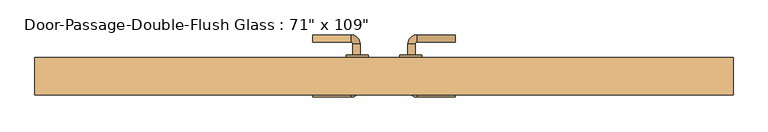
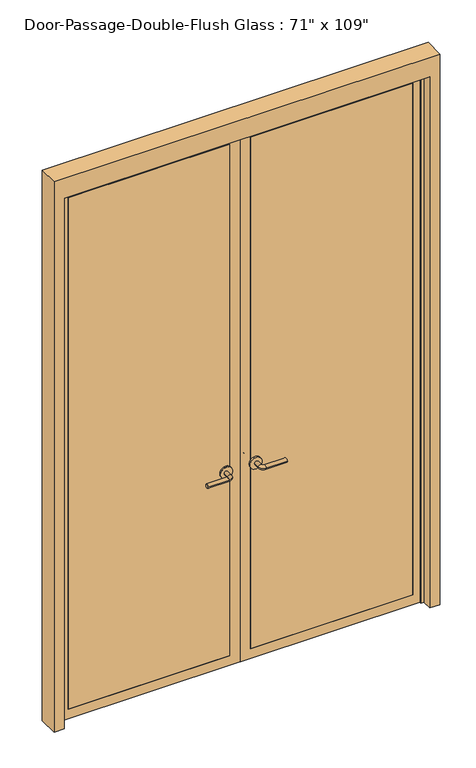
"""IFC4 building model written with IfcOpenShell, lengths in millimetres: door geometry."""

import ifcopenshell
import ifcopenshell.guid

model = None  # the IFC model being written
_history = None  # IfcOwnerHistory: only IFC2X3 demands one
_inside = {}  # id of a spatial element -> (the spatial element, [elements in it])
_under = {}  # id of a project, library or spatial element -> (it, [spatial elements below it])
_declared = {}  # id of a project -> (the project, [libraries it declares])
_typed = {}  # id of a type object -> (the type object, [elements of that type])
_made_of = {}  # id of a material, layer set ... -> (it, [elements and type objects made of it])


def new_model(schema):
    """Start an empty IFC model of exactly this schema.

    Asked for "IFC4X3", IfcOpenShell would pick the latest addendum, in which some entities
    have other attributes; the version numbers below select the first issue.
    IFC2X3 requires an IfcOwnerHistory on every rooted entity: one is made here for all.
    """
    global model, _history
    if schema == "IFC4X3":
        model = ifcopenshell.file(schema_version=(4, 3, 0, 0))
    else:
        model = ifcopenshell.file(schema=schema)
    _inside.clear()
    _under.clear()
    _declared.clear()
    _typed.clear()
    _made_of.clear()
    _history = None
    if model.schema == "IFC2X3":
        org = make("IfcOrganization", Name="unknown")
        user = make(
            "IfcPersonAndOrganization",
            ThePerson=make("IfcPerson", FamilyName="unknown"),
            TheOrganization=org,
        )
        app = make(
            "IfcApplication",
            ApplicationDeveloper=org,
            Version="unknown",
            ApplicationFullName="unknown",
            ApplicationIdentifier="unknown",
        )
        _history = make(
            "IfcOwnerHistory",
            OwningUser=user,
            OwningApplication=app,
            ChangeAction="ADDED",
            CreationDate=0,
        )
    return model


def make(cls, **values):
    """One entity of the class cls with the attributes given. An attribute that is None is left unset."""
    return model.create_entity(
        cls, **{name: value for name, value in values.items() if value is not None}
    )


def rooted(cls, **values):
    """An entity with a GlobalId (a new one), such as an element, a storey or a relation."""
    return make(cls, GlobalId=ifcopenshell.guid.new(), OwnerHistory=_history, **values)


def si_unit(unit_type, name, prefix=None):
    """IfcSIUnit, for example si_unit("LENGTHUNIT", "METRE", prefix="MILLI")."""
    return make("IfcSIUnit", UnitType=unit_type, Prefix=prefix, Name=name)


def assignment(units):
    """IfcUnitAssignment: the units of a project."""
    return None if units is None else make("IfcUnitAssignment", Units=units)


def point(xyz):
    """IfcCartesianPoint."""
    return None if xyz is None else make("IfcCartesianPoint", Coordinates=xyz)


def direction(xyz):
    """IfcDirection."""
    return None if xyz is None else make("IfcDirection", DirectionRatios=xyz)


def frame(location, z_axis=None, x_axis=None):
    """IfcAxis2Placement3D, a coordinate frame: its origin and axes. An axis left out is left unset."""
    return make(
        "IfcAxis2Placement3D",
        Location=point(location),
        Axis=direction(z_axis),
        RefDirection=direction(x_axis),
    )


def frame_2d(location, x_axis=None):
    """IfcAxis2Placement2D, a coordinate frame in the plane: its origin and x axis."""
    return make(
        "IfcAxis2Placement2D", Location=point(location), RefDirection=direction(x_axis)
    )


def origin():
    """The frame at (0, 0, 0) with its axes left unset."""
    return frame((0.0, 0.0, 0.0))


def place(relative_to, where):
    """IfcLocalPlacement: puts the frame where relative to a parent placement (None: the world)."""
    return make(
        "IfcLocalPlacement", PlacementRelTo=relative_to, RelativePlacement=where
    )


def context(
    kind, dimensions, precision=None, world=None, true_north=None, identifier=None
):
    """IfcGeometricRepresentationContext, for example the 3D "Model" context."""
    return make(
        "IfcGeometricRepresentationContext",
        ContextIdentifier=identifier,
        ContextType=kind,
        CoordinateSpaceDimension=dimensions,
        Precision=precision,
        WorldCoordinateSystem=world,
        TrueNorth=true_north,
    )


def project(units=None, contexts=None):
    """IfcProject with its units and contexts."""
    return rooted(
        "IfcProject",
        Name="project",
        RepresentationContexts=contexts,
        UnitsInContext=assignment(units),
    )


def spatial(cls, under=None, at=None, **own):
    """A site, building, storey or space (cls), placed at a placement, below another one or the project."""
    s = rooted(cls, ObjectPlacement=at, **own)
    if under is not None:
        _under.setdefault(under.id(), (under, []))[1].append(s)
    return s


def polyline(points):
    """IfcPolyline through the points."""
    return make("IfcPolyline", Points=[point(p) for p in points])


def circle_curve(where, radius):
    """IfcCircle in the frame where."""
    return make("IfcCircle", Position=where, Radius=radius)


def ellipse_curve(where, semi_axis1, semi_axis2):
    """IfcEllipse in the frame where."""
    return make(
        "IfcEllipse", Position=where, SemiAxis1=semi_axis1, SemiAxis2=semi_axis2
    )


def trimmed(basis, trim1, trim2, sense, master):
    """IfcTrimmedCurve: the piece of a basis curve between two trims."""
    return make(
        "IfcTrimmedCurve",
        BasisCurve=basis,
        Trim1=trim1,
        Trim2=trim2,
        SenseAgreement=sense,
        MasterRepresentation=master,
    )


def segment(curve, same_sense, transition):
    """IfcCompositeCurveSegment."""
    return make(
        "IfcCompositeCurveSegment",
        Transition=transition,
        SameSense=same_sense,
        ParentCurve=curve,
    )


def composite_curve(segments, self_intersect=None):
    """IfcCompositeCurve: segments joined end to end."""
    return make("IfcCompositeCurve", Segments=segments, SelfIntersect=self_intersect)


def outline(outer, holes=None, kind="AREA"):
    """IfcArbitraryClosedProfileDef: a profile drawn as a closed curve; with holes, ...WithVoids."""
    if holes is None:
        return make("IfcArbitraryClosedProfileDef", ProfileType=kind, OuterCurve=outer)
    return make(
        "IfcArbitraryProfileDefWithVoids",
        ProfileType=kind,
        OuterCurve=outer,
        InnerCurves=holes,
    )


def extrude(swept, where, along, depth):
    """IfcExtrudedAreaSolid: the profile swept, set in the frame where, extruded along a direction by depth."""
    return make(
        "IfcExtrudedAreaSolid",
        SweptArea=swept,
        Position=where,
        ExtrudedDirection=direction(along),
        Depth=depth,
    )


def faces_of(points, faces, orient=None, outer=None):
    """IfcFace entities. A face is a list of loops; a loop is a list of indices into points, from 0.

    orient and outer hold one flag for each loop. By default every Orientation is true, the
    first loop of a face is its IfcFaceOuterBound and the others are IfcFaceBound.
    """
    made = []
    for i, loops in enumerate(faces):
        bounds = []
        for j, loop in enumerate(loops):
            is_outer = j == 0 if outer is None else outer[i][j]
            bounds.append(
                make(
                    "IfcFaceOuterBound" if is_outer else "IfcFaceBound",
                    Bound=make("IfcPolyLoop", Polygon=[points[k] for k in loop]),
                    Orientation=True if orient is None else orient[i][j],
                )
            )
        made.append(make("IfcFace", Bounds=bounds))
    return made


def faceted_brep(points, faces, orient=None, outer=None, voids=None):
    """IfcFacetedBrep: a solid bounded by flat faces; with voids (closed shells), ...WithVoids."""
    shared = [point(p) for p in points]
    hull = make("IfcClosedShell", CfsFaces=faces_of(shared, faces, orient, outer))
    if voids is None:
        return make("IfcFacetedBrep", Outer=hull)
    return make(
        "IfcFacetedBrepWithVoids",
        Outer=hull,
        Voids=[
            make(cls, CfsFaces=faces_of(shared, fs, o, b)) for cls, fs, o, b in voids
        ],
    )


def shape(context_of_items, identifier, shape_type, items):
    """IfcShapeRepresentation: the items that make up one representation, for example the "Body"."""
    return make(
        "IfcShapeRepresentation",
        ContextOfItems=context_of_items,
        RepresentationIdentifier=identifier,
        RepresentationType=shape_type,
        Items=items,
    )


def source(mapping_origin, context_of_items, identifier, shape_type, items):
    """IfcRepresentationMap: a shape defined once, which mapped items show again and again."""
    return make(
        "IfcRepresentationMap",
        MappingOrigin=mapping_origin,
        MappedRepresentation=shape(context_of_items, identifier, shape_type, items),
    )


def transform(
    local_origin,
    x_axis=None,
    y_axis=None,
    z_axis=None,
    scale=None,
    scale2=None,
    scale3=None,
    uniform=True,
):
    """IfcCartesianTransformationOperator3D, or its non-uniform kind. x_axis, y_axis, z_axis: its Axis1, 2, 3."""
    if uniform:
        return make(
            "IfcCartesianTransformationOperator3D",
            Axis1=direction(x_axis),
            Axis2=direction(y_axis),
            LocalOrigin=point(local_origin),
            Scale=scale,
            Axis3=direction(z_axis),
        )
    return make(
        "IfcCartesianTransformationOperator3DnonUniform",
        Axis1=direction(x_axis),
        Axis2=direction(y_axis),
        LocalOrigin=point(local_origin),
        Scale=scale,
        Axis3=direction(z_axis),
        Scale2=scale2,
        Scale3=scale3,
    )


def mapped(mapping_source, mapping_target):
    """IfcMappedItem: shows the shape of a source again, moved by a transform."""
    return make(
        "IfcMappedItem", MappingSource=mapping_source, MappingTarget=mapping_target
    )


def made_of(thing, what):
    """Note that an element or type object is made of a material, layer set ...; save() writes the relation."""
    if what is not None:
        _made_of.setdefault(what.id(), (what, []))[1].append(thing)
    return thing


def element(
    cls,
    number,
    at=None,
    inside=None,
    cuts=None,
    type_object=None,
    material=None,
    context=None,
    identifier="Body",
    shape_type=None,
    held_by="IfcProductDefinitionShape",
    body=None,
    shapes=None,
    **own,
):
    """One element of the class cls, such as IfcWall. Its Tag is "e" and its number.

    at: its placement. inside: the storey or other place that contains it. cuts: it is an
    opening in that element (IfcRelVoidsElement). A single representation is given by context,
    identifier, shape_type and body (its items); several are given by shapes. held_by: the class
    of the entity that holds the representations. save() writes the other relations.
    """
    e = rooted(cls, Tag="e%d" % number, ObjectPlacement=at, **own)
    if body is not None:
        shapes = [shape(context, identifier, shape_type, body)]
    if shapes is not None:
        e.Representation = make(held_by, Representations=shapes)
    if inside is not None:
        _inside.setdefault(inside.id(), (inside, []))[1].append(e)
    if cuts is not None:
        rooted(
            "IfcRelVoidsElement", RelatingBuildingElement=cuts, RelatedOpeningElement=e
        )
    if type_object is not None:
        _typed.setdefault(type_object.id(), (type_object, []))[1].append(e)
    return made_of(e, material)


def aggregate(whole, parts):
    """IfcRelAggregates: a whole, such as a stair, and the parts it consists of."""
    return rooted("IfcRelAggregates", RelatingObject=whole, RelatedObjects=parts)


def save(model, path):
    """Write the relations noted so far, then the file.

    IfcRelAggregates (storeys below a building ...), IfcRelContainedInSpatialStructure (elements
    in a storey), IfcRelDefinesByType, IfcRelAssociatesMaterial and IfcRelDeclares: one each for
    every whole, place, type object, material and project.
    """
    for whole, parts in _under.values():
        aggregate(whole, parts)
    for where, things in _inside.values():
        rooted(
            "IfcRelContainedInSpatialStructure",
            RelatedElements=things,
            RelatingStructure=where,
        )
    for kind, things in _typed.values():
        rooted("IfcRelDefinesByType", RelatedObjects=things, RelatingType=kind)
    for what, things in _made_of.values():
        rooted("IfcRelAssociatesMaterial", RelatedObjects=things, RelatingMaterial=what)
    for by, libraries in _declared.values():
        rooted("IfcRelDeclares", RelatingContext=by, RelatedDefinitions=libraries)
    model.write(path)


def plane_surface(at):
    """IfcPlane: the flat surface through the origin of the frame at, square to its z axis."""
    return make("IfcPlane", Position=at)


def cylinder_surface(at, radius):
    """IfcCylindricalSurface: all points at the distance radius from the z axis of the frame at."""
    return make("IfcCylindricalSurface", Position=at, Radius=radius)


def revolved_surface(curve, axis_point, axis_direction):
    """IfcSurfaceOfRevolution: the curve turned about the line through axis_point along axis_direction."""
    return make(
        "IfcSurfaceOfRevolution",
        SweptCurve=make("IfcArbitraryOpenProfileDef", ProfileType="CURVE", Curve=curve),
        AxisPosition=make("IfcAxis1Placement", Location=point(axis_point), Axis=direction(axis_direction)),
    )


def advanced_brep(points, edges, surfaces, faces):
    """IfcAdvancedBrep: a solid bounded by faces that lie on surfaces and meet in shared edges.

    An edge is (start, end): straight between two places in points (the first is 0);
    or (start, end, curve); or (start, end, curve, False) where it runs against its curve.
    A face is (place in surfaces, loops), or (place, loops, False) where it looks against
    its surface's normal. A loop lists edges by number (the first is 1), with a minus sign
    where the edge is run from its end to its start. The first loop is the outer one.
    """
    corners = [point(p) for p in points]
    vertices = [make("IfcVertexPoint", VertexGeometry=c) for c in corners]
    made = []
    for start, end, *more in edges:
        made.append(
            make(
                "IfcEdgeCurve",
                EdgeStart=vertices[start],
                EdgeEnd=vertices[end],
                EdgeGeometry=more[0] if more else make("IfcPolyline", Points=[corners[start], corners[end]]),
                SameSense=more[1] if len(more) > 1 else True,
            )
        )
    hull = []
    for where, loops, *sense in faces:
        bounds = []
        for j, loop in enumerate(loops):
            ring = [make("IfcOrientedEdge", EdgeElement=made[abs(k) - 1], Orientation=k > 0) for k in loop]
            bounds.append(
                make(
                    "IfcFaceOuterBound" if j == 0 else "IfcFaceBound",
                    Bound=make("IfcEdgeLoop", EdgeList=ring),
                    Orientation=True,
                )
            )
        hull.append(make("IfcAdvancedFace", Bounds=bounds, FaceSurface=surfaces[where], SameSense=sense[0] if sense else True))
    return make("IfcAdvancedBrep", Outer=make("IfcClosedShell", CfsFaces=hull))


def door_7ee82786(model_context):
    return source(origin(), model_context, "Body", "SolidModel", [
        advanced_brep(
        [(-65.009375, -154.05, 1016.0), (-85.009375, -154.05, 1016.0), (-65.009375, -184.05, 1016.0), (-85.009375, -184.05, 1016.0), (-90.009375, -189.05, 1016.0), (-90.009375, -209.05, 1016.0), (-195.009375, -209.05, 1016.0), (-195.009375, -189.05, 1016.0)],
        [
            (0, 1, circle_curve(frame((-75.009375, -154.05, 1016.0), z_axis=(0.0, 1.0, 0.0), x_axis=(-1.0, 0.0, 0.0)), 10.0)),
            (1, 0, circle_curve(frame((-75.009375, -154.05, 1016.0), z_axis=(0.0, 1.0, 0.0), x_axis=(-1.0, 0.0, 0.0)), 10.0)),
            (0, 2),
            (2, 3, circle_curve(frame((-75.009375, -184.05, 1016.0), z_axis=(0.0, 1.0, 0.0), x_axis=(-1.0, 0.0, 0.0)), 10.0)),
            (3, 1),
            (3, 2, circle_curve(frame((-75.009375, -184.05, 1016.0), z_axis=(0.0, 1.0, 0.0), x_axis=(-1.0, 0.0, 0.0)), 10.0)),
            (4, 3, circle_curve(frame((-90.009375, -184.05, 1016.0), z_axis=(0.0, 0.0, 1.0), x_axis=(1.0, 0.0, 0.0)), 5.0)),
            (2, 5, circle_curve(frame((-90.009375, -184.05, 1016.0), z_axis=(0.0, 0.0, -1.0), x_axis=(1.0, 0.0, 0.0)), 25.0)),
            (5, 4, circle_curve(frame((-90.009375, -199.05, 1016.0), z_axis=(1.0, 0.0, 0.0), x_axis=(0.0, 1.0, 0.0)), 10.0)),
            (4, 5, circle_curve(frame((-90.009375, -199.05, 1016.0), z_axis=(1.0, 0.0, 0.0), x_axis=(0.0, 1.0, 0.0)), 10.0)),
            (6, 7, circle_curve(frame((-195.009375, -199.05, 1016.0), z_axis=(-1.0, 0.0, 0.0), x_axis=(0.0, 1.0, 0.0)), 10.0)),
            (7, 6, circle_curve(frame((-195.009375, -199.05, 1016.0), z_axis=(-1.0, 0.0, 0.0), x_axis=(0.0, 1.0, 0.0)), 10.0)),
            (5, 6),
            (7, 4),
        ],
        [
            plane_surface(frame((-75.009375, -154.05, 1016.0), z_axis=(0.0, 1.0, 0.0), x_axis=(0.0, 0.0, 1.0))),
            cylinder_surface(frame((-75.009375, -154.05, 1016.0), z_axis=(0.0, 1.0, 0.0), x_axis=(-1.0, 0.0, 0.0)), 10.0),
            revolved_surface(trimmed(ellipse_curve(frame((-75.009375, -184.05, 1016.0), z_axis=(0.0, 1.0, 0.0), x_axis=(-1.0, 0.0, 0.0)), 10.0, 10.0), [point((-65.009375, -184.05, 1016.0))], [point((-85.009375, -184.05, 1016.0))], True, "CARTESIAN"), (-90.009375, -184.05, 1016.0), (0.0, 0.0, -1.0)),
            revolved_surface(trimmed(ellipse_curve(frame((-75.009375, -184.05, 1016.0), z_axis=(0.0, 1.0, 0.0), x_axis=(-1.0, 0.0, 0.0)), 10.0, 10.0), [point((-85.009375, -184.05, 1016.0))], [point((-65.009375, -184.05, 1016.0))], True, "CARTESIAN"), (-90.009375, -184.05, 1016.0), (0.0, 0.0, -1.0)),
            plane_surface(frame((-195.009375, -199.05, 1016.0), z_axis=(-1.0, 0.0, 0.0), x_axis=(0.0, 0.0, 1.0))),
            cylinder_surface(frame((-90.009375, -199.05, 1016.0), z_axis=(1.0, 0.0, 0.0), x_axis=(0.0, 1.0, 0.0)), 10.0),
        ],
        [
            (0, [[1, 2]]),
            (1, [[-1, 3, 4, 5]]),
            (1, [[-2, -5, 6, -3]]),
            (2, [[7, -4, 8, 9]]),
            (3, [[-8, -6, -7, 10]]),
            (4, [[11, 12]]),
            (5, [[-9, 13, -12, 14]]),
            (5, [[-10, -14, -11, -13]]),
        ],
    ),
        extrude(outline(composite_curve([segment(trimmed(circle_curve(frame_2d((1016.0, -72.509375)), 30.0), [point((1016.0, -42.509375))], [point((1016.0, -102.509375))], False, "CARTESIAN"), True, "CONTINUOUS"), segment(trimmed(circle_curve(frame_2d((1016.0, -72.509375)), 30.0), [point((1016.0, -102.509375))], [point((1016.0, -42.509375))], False, "CARTESIAN"), True, "CONTINUOUS")], self_intersect=False)), frame((0.0, -154.05, 0.0), z_axis=(0.0, 1.0, 0.0), x_axis=(0.0, 0.0, 1.0)), (0.0, 0.0, 1.0), 8.0),
        advanced_brep(
        [(-65.009375, -93.6, 1016.0), (-85.009375, -93.6, 1016.0), (-85.009375, -63.6, 1016.0), (-65.009375, -63.6, 1016.0), (-90.009375, -58.6, 1016.0), (-90.009375, -38.6, 1016.0), (-195.009375, -38.6, 1016.0), (-195.009375, -58.6, 1016.0)],
        [
            (0, 1, circle_curve(frame((-75.009375, -93.6, 1016.0), z_axis=(0.0, -1.0, 0.0), x_axis=(-1.0, 0.0, 0.0)), 10.0)),
            (1, 0, circle_curve(frame((-75.009375, -93.6, 1016.0), z_axis=(0.0, -1.0, 0.0), x_axis=(-1.0, 0.0, 0.0)), 10.0)),
            (1, 2),
            (2, 3, circle_curve(frame((-75.009375, -63.6, 1016.0), z_axis=(0.0, -1.0, 0.0), x_axis=(-1.0, 0.0, 0.0)), 10.0)),
            (3, 0),
            (3, 2, circle_curve(frame((-75.009375, -63.6, 1016.0), z_axis=(0.0, -1.0, 0.0), x_axis=(-1.0, 0.0, 0.0)), 10.0)),
            (4, 5, circle_curve(frame((-90.009375, -48.6, 1016.0), z_axis=(1.0, 0.0, 0.0), x_axis=(0.0, -1.0, 0.0)), 10.0)),
            (5, 3, circle_curve(frame((-90.009375, -63.6, 1016.0), z_axis=(0.0, 0.0, -1.0), x_axis=(1.0, 0.0, 0.0)), 25.0)),
            (2, 4, circle_curve(frame((-90.009375, -63.6, 1016.0), z_axis=(0.0, 0.0, 1.0), x_axis=(1.0, 0.0, 0.0)), 5.0)),
            (5, 4, circle_curve(frame((-90.009375, -48.6, 1016.0), z_axis=(1.0, 0.0, 0.0), x_axis=(0.0, -1.0, 0.0)), 10.0)),
            (6, 7, circle_curve(frame((-195.009375, -48.6, 1016.0), z_axis=(-1.0, 0.0, 0.0), x_axis=(0.0, -1.0, 0.0)), 10.0)),
            (7, 6, circle_curve(frame((-195.009375, -48.6, 1016.0), z_axis=(-1.0, 0.0, 0.0), x_axis=(0.0, -1.0, 0.0)), 10.0)),
            (4, 7),
            (6, 5),
        ],
        [
            plane_surface(frame((-75.009375, -93.6, 1016.0), z_axis=(0.0, -1.0, 0.0), x_axis=(0.0, 0.0, 1.0))),
            cylinder_surface(frame((-75.009375, -93.6, 1016.0), z_axis=(0.0, -1.0, 0.0), x_axis=(-1.0, 0.0, 0.0)), 10.0),
            revolved_surface(trimmed(ellipse_curve(frame((-75.009375, -63.6, 1016.0), z_axis=(0.0, 1.0, 0.0), x_axis=(-1.0, 0.0, 0.0)), 10.0, 10.0), [point((-65.009375, -63.6, 1016.0))], [point((-85.009375, -63.6, 1016.0))], True, "CARTESIAN"), (-90.009375, -63.6, 1016.0), (0.0, 0.0, -1.0)),
            revolved_surface(trimmed(ellipse_curve(frame((-75.009375, -63.6, 1016.0), z_axis=(0.0, 1.0, 0.0), x_axis=(-1.0, 0.0, 0.0)), 10.0, 10.0), [point((-85.009375, -63.6, 1016.0))], [point((-65.009375, -63.6, 1016.0))], True, "CARTESIAN"), (-90.009375, -63.6, 1016.0), (0.0, 0.0, -1.0)),
            plane_surface(frame((-195.009375, -48.6, 1016.0), z_axis=(-1.0, 0.0, 0.0), x_axis=(0.0, 0.0, 1.0))),
            cylinder_surface(frame((-90.009375, -48.6, 1016.0), z_axis=(1.0, 0.0, 0.0), x_axis=(0.0, -1.0, 0.0)), 10.0),
        ],
        [
            (0, [[1, 2]]),
            (1, [[3, 4, 5, -2]]),
            (1, [[-5, 6, -3, -1]]),
            (2, [[7, 8, -4, 9]]),
            (3, [[10, -9, -6, -8]]),
            (4, [[11, 12]]),
            (5, [[13, -11, 14, -7]]),
            (5, [[-14, -12, -13, -10]]),
        ],
    ),
        extrude(outline(composite_curve([segment(trimmed(circle_curve(frame_2d((1016.0, -72.509375)), 30.0), [point((1016.0, -42.509375))], [point((1016.0, -102.509375))], False, "CARTESIAN"), True, "CONTINUOUS"), segment(trimmed(circle_curve(frame_2d((1016.0, -72.509375)), 30.0), [point((1016.0, -102.509375))], [point((1016.0, -42.509375))], False, "CARTESIAN"), True, "CONTINUOUS")], self_intersect=False)), frame((0.0, -101.6, 0.0), z_axis=(0.0, 1.0, 0.0), x_axis=(0.0, 0.0, 1.0)), (0.0, 0.0, 1.0), 8.0),
        advanced_brep(
        [(65.009375, -154.05, 1016.0), (85.009375, -154.05, 1016.0), (85.009375, -184.05, 1016.0), (65.009375, -184.05, 1016.0), (90.009375, -189.05, 1016.0), (90.009375, -209.05, 1016.0), (195.009375, -209.05, 1016.0), (195.009375, -189.05, 1016.0)],
        [
            (0, 1, circle_curve(frame((75.009375, -154.05, 1016.0), z_axis=(0.0, 1.0, 0.0), x_axis=(1.0, 0.0, 0.0)), 10.0)),
            (1, 0, circle_curve(frame((75.009375, -154.05, 1016.0), z_axis=(0.0, 1.0, 0.0), x_axis=(1.0, 0.0, 0.0)), 10.0)),
            (1, 2),
            (2, 3, circle_curve(frame((75.009375, -184.05, 1016.0), z_axis=(0.0, 1.0, 0.0), x_axis=(1.0, 0.0, 0.0)), 10.0)),
            (3, 0),
            (3, 2, circle_curve(frame((75.009375, -184.05, 1016.0), z_axis=(0.0, 1.0, 0.0), x_axis=(1.0, 0.0, 0.0)), 10.0)),
            (4, 5, circle_curve(frame((90.009375, -199.05, 1016.0), z_axis=(-1.0, 0.0, 0.0), x_axis=(0.0, 1.0, 0.0)), 10.0)),
            (5, 3, circle_curve(frame((90.009375, -184.05, 1016.0), z_axis=(0.0, 0.0, -1.0), x_axis=(-1.0, 0.0, 0.0)), 25.0)),
            (2, 4, circle_curve(frame((90.009375, -184.05, 1016.0), z_axis=(0.0, 0.0, 1.0), x_axis=(-1.0, 0.0, 0.0)), 5.0)),
            (5, 4, circle_curve(frame((90.009375, -199.05, 1016.0), z_axis=(-1.0, 0.0, 0.0), x_axis=(0.0, 1.0, 0.0)), 10.0)),
            (6, 7, circle_curve(frame((195.009375, -199.05, 1016.0), z_axis=(1.0, 0.0, 0.0), x_axis=(0.0, 1.0, 0.0)), 10.0)),
            (7, 6, circle_curve(frame((195.009375, -199.05, 1016.0), z_axis=(1.0, 0.0, 0.0), x_axis=(0.0, 1.0, 0.0)), 10.0)),
            (4, 7),
            (6, 5),
        ],
        [
            plane_surface(frame((75.009375, -154.05, 1016.0), z_axis=(0.0, 1.0, 0.0), x_axis=(0.0, 0.0, 1.0))),
            cylinder_surface(frame((75.009375, -154.05, 1016.0), z_axis=(0.0, 1.0, 0.0), x_axis=(1.0, 0.0, 0.0)), 10.0),
            revolved_surface(trimmed(ellipse_curve(frame((75.009375, -184.05, 1016.0), z_axis=(0.0, -1.0, 0.0), x_axis=(1.0, 0.0, 0.0)), 10.0, 10.0), [point((65.009375, -184.05, 1016.0))], [point((85.009375, -184.05, 1016.0))], True, "CARTESIAN"), (90.009375, -184.05, 1016.0), (0.0, 0.0, -1.0)),
            revolved_surface(trimmed(ellipse_curve(frame((75.009375, -184.05, 1016.0), z_axis=(0.0, -1.0, 0.0), x_axis=(1.0, 0.0, 0.0)), 10.0, 10.0), [point((85.009375, -184.05, 1016.0))], [point((65.009375, -184.05, 1016.0))], True, "CARTESIAN"), (90.009375, -184.05, 1016.0), (0.0, 0.0, -1.0)),
            plane_surface(frame((195.009375, -199.05, 1016.0), z_axis=(1.0, 0.0, 0.0), x_axis=(0.0, 0.0, 1.0))),
            cylinder_surface(frame((90.009375, -199.05, 1016.0), z_axis=(-1.0, 0.0, 0.0), x_axis=(0.0, 1.0, 0.0)), 10.0),
        ],
        [
            (0, [[1, 2]]),
            (1, [[3, 4, 5, -2]]),
            (1, [[-5, 6, -3, -1]]),
            (2, [[7, 8, -4, 9]]),
            (3, [[10, -9, -6, -8]]),
            (4, [[11, 12]]),
            (5, [[13, -11, 14, -7]]),
            (5, [[-14, -12, -13, -10]]),
        ],
    ),
        extrude(outline(composite_curve([segment(trimmed(circle_curve(frame_2d((1016.0, 72.509375)), 30.0), [point((1016.0, 42.509375))], [point((1016.0, 102.509375))], False, "CARTESIAN"), True, "CONTINUOUS"), segment(trimmed(circle_curve(frame_2d((1016.0, 72.509375)), 30.0), [point((1016.0, 102.509375))], [point((1016.0, 42.509375))], False, "CARTESIAN"), True, "CONTINUOUS")], self_intersect=False)), frame((0.0, -154.05, 0.0), z_axis=(0.0, 1.0, 0.0), x_axis=(0.0, 0.0, 1.0)), (0.0, 0.0, 1.0), 8.0),
        advanced_brep(
        [(65.009375, -93.6, 1016.0), (85.009375, -93.6, 1016.0), (65.009375, -63.6, 1016.0), (85.009375, -63.6, 1016.0), (90.009375, -58.6, 1016.0), (90.009375, -38.6, 1016.0), (195.009375, -38.6, 1016.0), (195.009375, -58.6, 1016.0)],
        [
            (0, 1, circle_curve(frame((75.009375, -93.6, 1016.0), z_axis=(0.0, -1.0, 0.0), x_axis=(1.0, 0.0, 0.0)), 10.0)),
            (1, 0, circle_curve(frame((75.009375, -93.6, 1016.0), z_axis=(0.0, -1.0, 0.0), x_axis=(1.0, 0.0, 0.0)), 10.0)),
            (0, 2),
            (2, 3, circle_curve(frame((75.009375, -63.6, 1016.0), z_axis=(0.0, -1.0, 0.0), x_axis=(1.0, 0.0, 0.0)), 10.0)),
            (3, 1),
            (3, 2, circle_curve(frame((75.009375, -63.6, 1016.0), z_axis=(0.0, -1.0, 0.0), x_axis=(1.0, 0.0, 0.0)), 10.0)),
            (4, 3, circle_curve(frame((90.009375, -63.6, 1016.0), z_axis=(0.0, 0.0, 1.0), x_axis=(-1.0, 0.0, 0.0)), 5.0)),
            (2, 5, circle_curve(frame((90.009375, -63.6, 1016.0), z_axis=(0.0, 0.0, -1.0), x_axis=(-1.0, 0.0, 0.0)), 25.0)),
            (5, 4, circle_curve(frame((90.009375, -48.6, 1016.0), z_axis=(-1.0, 0.0, 0.0), x_axis=(0.0, -1.0, 0.0)), 10.0)),
            (4, 5, circle_curve(frame((90.009375, -48.6, 1016.0), z_axis=(-1.0, 0.0, 0.0), x_axis=(0.0, -1.0, 0.0)), 10.0)),
            (6, 7, circle_curve(frame((195.009375, -48.6, 1016.0), z_axis=(1.0, 0.0, 0.0), x_axis=(0.0, -1.0, 0.0)), 10.0)),
            (7, 6, circle_curve(frame((195.009375, -48.6, 1016.0), z_axis=(1.0, 0.0, 0.0), x_axis=(0.0, -1.0, 0.0)), 10.0)),
            (5, 6),
            (7, 4),
        ],
        [
            plane_surface(frame((75.009375, -93.6, 1016.0), z_axis=(0.0, -1.0, 0.0), x_axis=(0.0, 0.0, 1.0))),
            cylinder_surface(frame((75.009375, -93.6, 1016.0), z_axis=(0.0, -1.0, 0.0), x_axis=(1.0, 0.0, 0.0)), 10.0),
            revolved_surface(trimmed(ellipse_curve(frame((75.009375, -63.6, 1016.0), z_axis=(0.0, -1.0, 0.0), x_axis=(1.0, 0.0, 0.0)), 10.0, 10.0), [point((65.009375, -63.6, 1016.0))], [point((85.009375, -63.6, 1016.0))], True, "CARTESIAN"), (90.009375, -63.6, 1016.0), (0.0, 0.0, -1.0)),
            revolved_surface(trimmed(ellipse_curve(frame((75.009375, -63.6, 1016.0), z_axis=(0.0, -1.0, 0.0), x_axis=(1.0, 0.0, 0.0)), 10.0, 10.0), [point((85.009375, -63.6, 1016.0))], [point((65.009375, -63.6, 1016.0))], True, "CARTESIAN"), (90.009375, -63.6, 1016.0), (0.0, 0.0, -1.0)),
            plane_surface(frame((195.009375, -48.6, 1016.0), z_axis=(1.0, 0.0, 0.0), x_axis=(0.0, 0.0, 1.0))),
            cylinder_surface(frame((90.009375, -48.6, 1016.0), z_axis=(-1.0, 0.0, 0.0), x_axis=(0.0, -1.0, 0.0)), 10.0),
        ],
        [
            (0, [[1, 2]]),
            (1, [[-1, 3, 4, 5]]),
            (1, [[-2, -5, 6, -3]]),
            (2, [[7, -4, 8, 9]]),
            (3, [[-8, -6, -7, 10]]),
            (4, [[11, 12]]),
            (5, [[-9, 13, -12, 14]]),
            (5, [[-10, -14, -11, -13]]),
        ],
    ),
        extrude(outline(composite_curve([segment(trimmed(circle_curve(frame_2d((1016.0, 72.509375)), 30.0), [point((1016.0, 42.509375))], [point((1016.0, 102.509375))], False, "CARTESIAN"), True, "CONTINUOUS"), segment(trimmed(circle_curve(frame_2d((1016.0, 72.509375)), 30.0), [point((1016.0, 102.509375))], [point((1016.0, 42.509375))], False, "CARTESIAN"), True, "CONTINUOUS")], self_intersect=False)), frame((0.0, -101.6, 0.0), z_axis=(0.0, 1.0, 0.0), x_axis=(0.0, 0.0, 1.0)), (0.0, 0.0, 1.0), 8.0),
        faceted_brep([(901.7, -150.8125, 0.0), (901.7, -101.6, 0.0), (952.5, -101.6, 0.0), (952.5, -203.2, 0.0), (901.7, -203.2, 0.0), (901.7, -153.9875, 0.0), (885.825, -153.9875, 0.0), (885.825, -150.8125, 0.0), (901.7, -150.8125, 2768.6), (901.7, -101.6, 2768.6), (-901.7, -101.6, 2768.6), (-901.7, -101.6, 0.0), (-952.5, -101.6, 0.0), (-952.5, -101.6, 2870.2), (952.5, -101.6, 2870.2), (952.5, -203.2, 2870.2), (-952.5, -203.2, 2870.2), (-952.5, -203.2, 0.0), (-901.7, -203.2, 0.0), (-901.7, -203.2, 2768.6), (901.7, -203.2, 2768.6), (901.7, -153.9875, 2768.6), (-901.7, -153.9875, 2768.6), (-901.7, -153.9875, 0.0), (-885.825, -153.9875, 0.0), (-885.825, -153.9875, 2752.725), (885.825, -153.9875, 2752.725), (885.825, -150.8125, 2752.725), (-885.825, -150.8125, 2752.725), (-885.825, -150.8125, 0.0), (-901.7, -150.8125, 0.0), (-901.7, -150.8125, 2768.6)], [[[0, 1, 2, 3, 4, 5, 6, 7]], [[1, 0, 8, 9]], [[2, 1, 9, 10, 11, 12, 13, 14]], [[3, 2, 14, 15]], [[4, 3, 15, 16, 17, 18, 19, 20]], [[5, 4, 20, 21]], [[6, 5, 21, 22, 23, 24, 25, 26]], [[7, 6, 26, 27]], [[0, 7, 27, 28, 29, 30, 31, 8]], [[9, 8, 31, 10]], [[20, 19, 22, 21]], [[26, 25, 28, 27]], [[12, 11, 30, 29, 24, 23, 18, 17]], [[11, 10, 31, 30]], [[13, 12, 17, 16]], [[19, 18, 23, 22]], [[25, 24, 29, 28]], [[15, 14, 13, 16]]]),
        extrude(outline(polyline([(2768.6, 1.5875), (0.0, 1.5875), (0.0, 901.7), (2768.6, 901.7), (2768.6, 1.5875)]), holes=[polyline([(2717.8, 850.9), (50.8, 850.9), (50.8, 49.2125), (2717.8, 49.2125), (2717.8, 850.9)])]), frame((0.0, -146.05, 0.0), z_axis=(0.0, 1.0, 0.0), x_axis=(0.0, 0.0, 1.0)), (0.0, 0.0, 1.0), 44.45),
        extrude(outline(polyline([(0.0, -1.5875), (2768.6, -1.5875), (2768.6, -901.7), (0.0, -901.7), (0.0, -1.5875)]), holes=[polyline([(2717.8, -850.9), (2717.8, -52.3875), (50.8, -52.3875), (50.8, -850.9), (2717.8, -850.9)])]), frame((0.0, -146.05, 0.0), z_axis=(0.0, 1.0, 0.0), x_axis=(0.0, 0.0, 1.0)), (0.0, 0.0, 1.0), 44.45),
        extrude(outline(polyline([(-52.3875, -146.05), (-850.9, -146.05), (-850.9, -101.6), (-52.3875, -101.6), (-52.3875, -146.05)])), frame((0.0, 0.0, 50.8), z_axis=(0.0, 0.0, 1.0), x_axis=(1.0, 0.0, 0.0)), (0.0, 0.0, 1.0), 2667.0),
        extrude(outline(polyline([(850.9, -146.05), (49.2125, -146.05), (49.2125, -101.6), (850.9, -101.6), (850.9, -146.05)])), frame((0.0, 0.0, 50.8), z_axis=(0.0, 0.0, 1.0), x_axis=(1.0, 0.0, 0.0)), (0.0, 0.0, 1.0), 2667.0),
    ])


if __name__ == "__main__":
    model = new_model("IFC4")
    model_context = context("Model", 3, world=origin())
    ifc_project = project(units=[si_unit("LENGTHUNIT", "METRE", prefix="MILLI")], contexts=[model_context])
    site = spatial("IfcSite", under=ifc_project)
    building = spatial("IfcBuilding", under=site)
    placement = place(None, origin())
    door_shape = door_7ee82786(model_context)
    element("IfcDoor", 1, ObjectType="Door-Passage-Double-Flush Glass : 71\" x 109\"", at=placement, inside=building, context=model_context, shape_type="MappedRepresentation", body=[
        mapped(door_shape, transform((0.0, 0.0, 0.0), x_axis=(1.0, 0.0, 0.0), y_axis=(0.0, 1.0, 0.0), z_axis=(0.0, 0.0, 1.0))),
    ])
    save(model, "model.ifc")
